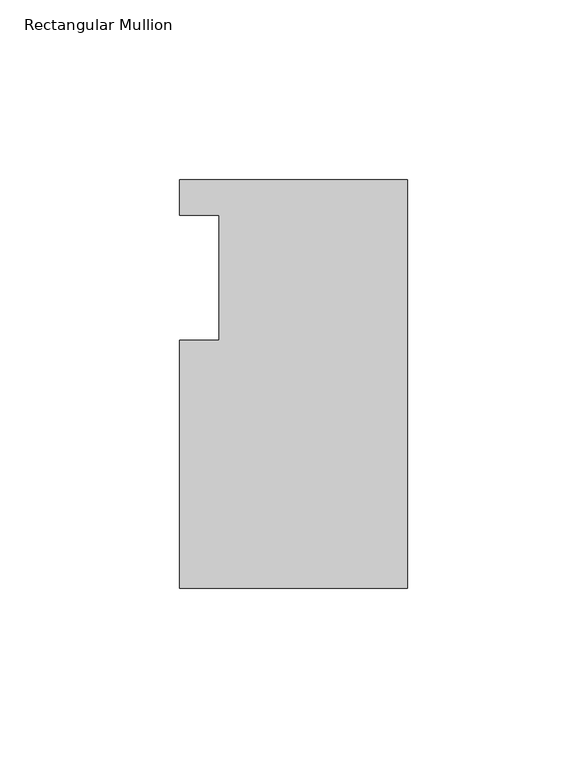
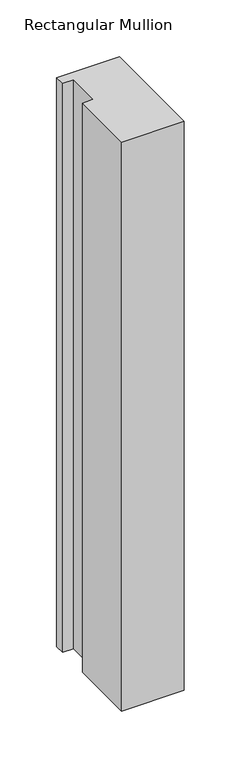
"""IFC4 building model written with IfcOpenShell, lengths in millimetres: member geometry, Rectangular Mullion."""

from ifc_helpers import new_model, si_unit, frame, origin, place, context, project, spatial, polyline, outline, extrude, source, transform, mapped, element, save


def rectangular_mullion_3c4b14c2(model_context):
    return source(origin(), model_context, "Body", "SweptSolid", [
        extrude(outline(polyline([(-63.5, 113.8189875), (0.0, 113.8189875), (0.0, 0.0269867), (-63.5, 0.0269867), (-63.5, 68.9879867), (-52.3875, 68.9879867), (-52.3875, 103.9129875), (-63.5, 103.9129875), (-63.5, 113.8189875)])), frame((0.0, 0.0, -609.6), z_axis=(0.0, 0.0, 1.0), x_axis=(1.0, 0.0, 0.0)), (0.0, 0.0, 1.0), 609.6),
    ])


if __name__ == "__main__":
    model = new_model("IFC4")
    model_context = context("Model", 3, world=origin())
    ifc_project = project(units=[si_unit("LENGTHUNIT", "METRE", prefix="MILLI")], contexts=[model_context])
    site = spatial("IfcSite", under=ifc_project)
    building = spatial("IfcBuilding", under=site)
    placement = place(None, origin())
    rectangular_mullion_shape = rectangular_mullion_3c4b14c2(model_context)
    element("IfcMember", 1, ObjectType="Rectangular Mullion", at=placement, inside=building, context=model_context, shape_type="MappedRepresentation", body=[
        mapped(rectangular_mullion_shape, transform((0.0, 0.0, 0.0), x_axis=(1.0, 0.0, 0.0), y_axis=(0.0, 1.0, 0.0), z_axis=(0.0, 0.0, 1.0))),
    ])
    save(model, "model.ifc")
